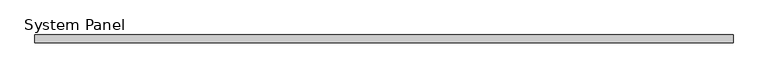
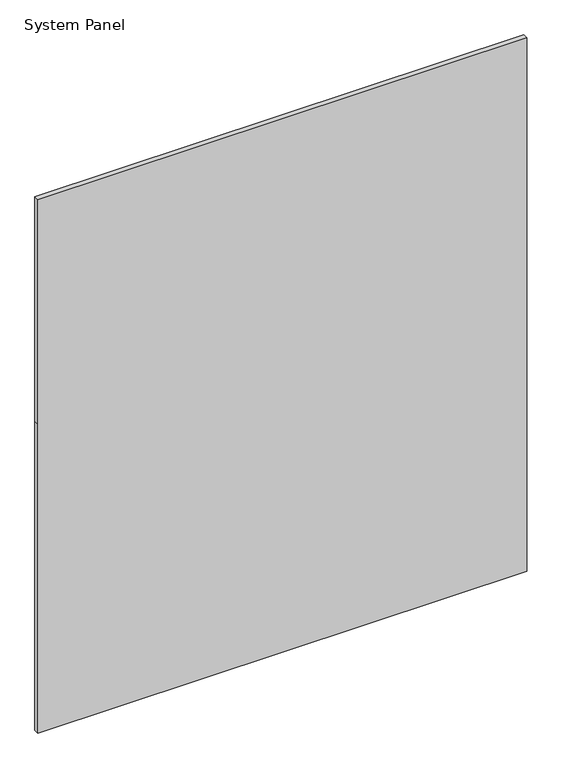
"""IFC4 building model written with IfcOpenShell, lengths in millimetres: plate geometry, System Panel."""

from ifc_helpers import new_model, si_unit, frame, origin, place, context, project, spatial, polyline, outline, extrude, source, transform, mapped, element, save


def system_panel_79bacb36(model_context):
    return source(origin(), model_context, "Body", "SweptSolid", [
        extrude(outline(polyline([(0.0, -548.249375), (0.0, 548.249375), (732.21, 548.249375), (1264.769375, 548.249375), (1264.769375, -548.249375), (732.21, -548.249375), (0.0, -548.249375)])), frame((0.0, -6.0, 0.0), z_axis=(0.0, 1.0, 0.0), x_axis=(0.0, 0.0, 1.0)), (0.0, 0.0, 1.0), 12.0),
    ])


if __name__ == "__main__":
    model = new_model("IFC4")
    model_context = context("Model", 3, world=origin())
    ifc_project = project(units=[si_unit("LENGTHUNIT", "METRE", prefix="MILLI")], contexts=[model_context])
    site = spatial("IfcSite", under=ifc_project)
    building = spatial("IfcBuilding", under=site)
    placement = place(None, origin())
    system_panel_shape = system_panel_79bacb36(model_context)
    element("IfcPlate", 1, ObjectType="System Panel", at=placement, inside=building, context=model_context, shape_type="MappedRepresentation", body=[
        mapped(system_panel_shape, transform((0.0, 0.0, 0.0), x_axis=(1.0, 0.0, 0.0), y_axis=(0.0, 1.0, 0.0), z_axis=(0.0, 0.0, 1.0))),
    ])
    save(model, "model.ifc")
